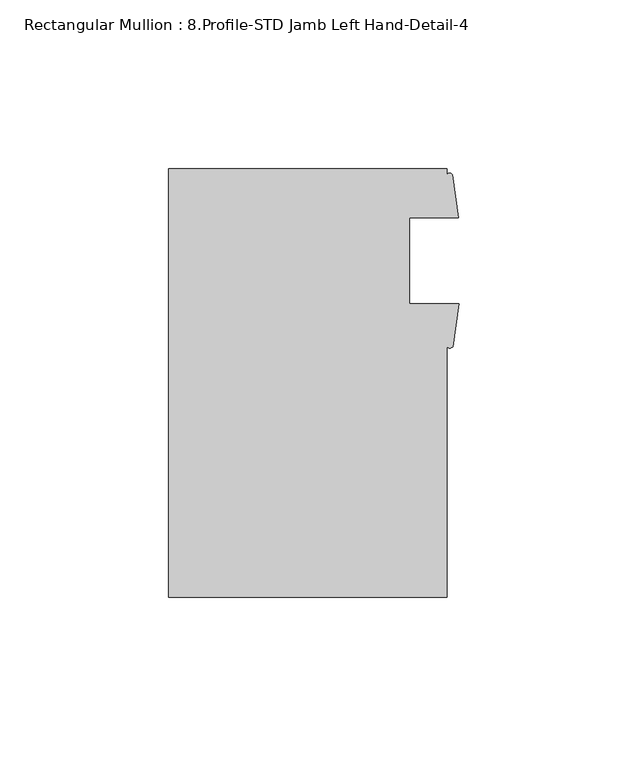
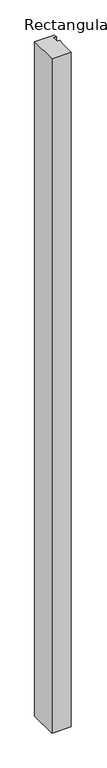
"""IFC4 building model written with IfcOpenShell, lengths in millimetres: member geometry, Rectangular Mullion : 8.Profile-STD Jamb Left Hand-Detail-4."""

import ifcopenshell
import ifcopenshell.guid

model = None  # the IFC model being written
_history = None  # IfcOwnerHistory: only IFC2X3 demands one
_inside = {}  # id of a spatial element -> (the spatial element, [elements in it])
_under = {}  # id of a project, library or spatial element -> (it, [spatial elements below it])
_declared = {}  # id of a project -> (the project, [libraries it declares])
_typed = {}  # id of a type object -> (the type object, [elements of that type])
_made_of = {}  # id of a material, layer set ... -> (it, [elements and type objects made of it])


def new_model(schema):
    """Start an empty IFC model of exactly this schema.

    Asked for "IFC4X3", IfcOpenShell would pick the latest addendum, in which some entities
    have other attributes; the version numbers below select the first issue.
    IFC2X3 requires an IfcOwnerHistory on every rooted entity: one is made here for all.
    """
    global model, _history
    if schema == "IFC4X3":
        model = ifcopenshell.file(schema_version=(4, 3, 0, 0))
    else:
        model = ifcopenshell.file(schema=schema)
    _inside.clear()
    _under.clear()
    _declared.clear()
    _typed.clear()
    _made_of.clear()
    _history = None
    if model.schema == "IFC2X3":
        org = make("IfcOrganization", Name="unknown")
        user = make(
            "IfcPersonAndOrganization",
            ThePerson=make("IfcPerson", FamilyName="unknown"),
            TheOrganization=org,
        )
        app = make(
            "IfcApplication",
            ApplicationDeveloper=org,
            Version="unknown",
            ApplicationFullName="unknown",
            ApplicationIdentifier="unknown",
        )
        _history = make(
            "IfcOwnerHistory",
            OwningUser=user,
            OwningApplication=app,
            ChangeAction="ADDED",
            CreationDate=0,
        )
    return model


def make(cls, **values):
    """One entity of the class cls with the attributes given. An attribute that is None is left unset."""
    return model.create_entity(
        cls, **{name: value for name, value in values.items() if value is not None}
    )


def rooted(cls, **values):
    """An entity with a GlobalId (a new one), such as an element, a storey or a relation."""
    return make(cls, GlobalId=ifcopenshell.guid.new(), OwnerHistory=_history, **values)


def si_unit(unit_type, name, prefix=None):
    """IfcSIUnit, for example si_unit("LENGTHUNIT", "METRE", prefix="MILLI")."""
    return make("IfcSIUnit", UnitType=unit_type, Prefix=prefix, Name=name)


def assignment(units):
    """IfcUnitAssignment: the units of a project."""
    return None if units is None else make("IfcUnitAssignment", Units=units)


def point(xyz):
    """IfcCartesianPoint."""
    return None if xyz is None else make("IfcCartesianPoint", Coordinates=xyz)


def direction(xyz):
    """IfcDirection."""
    return None if xyz is None else make("IfcDirection", DirectionRatios=xyz)


def frame(location, z_axis=None, x_axis=None):
    """IfcAxis2Placement3D, a coordinate frame: its origin and axes. An axis left out is left unset."""
    return make(
        "IfcAxis2Placement3D",
        Location=point(location),
        Axis=direction(z_axis),
        RefDirection=direction(x_axis),
    )


def frame_2d(location, x_axis=None):
    """IfcAxis2Placement2D, a coordinate frame in the plane: its origin and x axis."""
    return make(
        "IfcAxis2Placement2D", Location=point(location), RefDirection=direction(x_axis)
    )


def origin():
    """The frame at (0, 0, 0) with its axes left unset."""
    return frame((0.0, 0.0, 0.0))


def place(relative_to, where):
    """IfcLocalPlacement: puts the frame where relative to a parent placement (None: the world)."""
    return make(
        "IfcLocalPlacement", PlacementRelTo=relative_to, RelativePlacement=where
    )


def context(
    kind, dimensions, precision=None, world=None, true_north=None, identifier=None
):
    """IfcGeometricRepresentationContext, for example the 3D "Model" context."""
    return make(
        "IfcGeometricRepresentationContext",
        ContextIdentifier=identifier,
        ContextType=kind,
        CoordinateSpaceDimension=dimensions,
        Precision=precision,
        WorldCoordinateSystem=world,
        TrueNorth=true_north,
    )


def project(units=None, contexts=None):
    """IfcProject with its units and contexts."""
    return rooted(
        "IfcProject",
        Name="project",
        RepresentationContexts=contexts,
        UnitsInContext=assignment(units),
    )


def spatial(cls, under=None, at=None, **own):
    """A site, building, storey or space (cls), placed at a placement, below another one or the project."""
    s = rooted(cls, ObjectPlacement=at, **own)
    if under is not None:
        _under.setdefault(under.id(), (under, []))[1].append(s)
    return s


def polyline(points):
    """IfcPolyline through the points."""
    return make("IfcPolyline", Points=[point(p) for p in points])


def circle_curve(where, radius):
    """IfcCircle in the frame where."""
    return make("IfcCircle", Position=where, Radius=radius)


def trimmed(basis, trim1, trim2, sense, master):
    """IfcTrimmedCurve: the piece of a basis curve between two trims."""
    return make(
        "IfcTrimmedCurve",
        BasisCurve=basis,
        Trim1=trim1,
        Trim2=trim2,
        SenseAgreement=sense,
        MasterRepresentation=master,
    )


def segment(curve, same_sense, transition):
    """IfcCompositeCurveSegment."""
    return make(
        "IfcCompositeCurveSegment",
        Transition=transition,
        SameSense=same_sense,
        ParentCurve=curve,
    )


def composite_curve(segments, self_intersect=None):
    """IfcCompositeCurve: segments joined end to end."""
    return make("IfcCompositeCurve", Segments=segments, SelfIntersect=self_intersect)


def outline(outer, holes=None, kind="AREA"):
    """IfcArbitraryClosedProfileDef: a profile drawn as a closed curve; with holes, ...WithVoids."""
    if holes is None:
        return make("IfcArbitraryClosedProfileDef", ProfileType=kind, OuterCurve=outer)
    return make(
        "IfcArbitraryProfileDefWithVoids",
        ProfileType=kind,
        OuterCurve=outer,
        InnerCurves=holes,
    )


def extrude(swept, where, along, depth):
    """IfcExtrudedAreaSolid: the profile swept, set in the frame where, extruded along a direction by depth."""
    return make(
        "IfcExtrudedAreaSolid",
        SweptArea=swept,
        Position=where,
        ExtrudedDirection=direction(along),
        Depth=depth,
    )


def shape(context_of_items, identifier, shape_type, items):
    """IfcShapeRepresentation: the items that make up one representation, for example the "Body"."""
    return make(
        "IfcShapeRepresentation",
        ContextOfItems=context_of_items,
        RepresentationIdentifier=identifier,
        RepresentationType=shape_type,
        Items=items,
    )


def source(mapping_origin, context_of_items, identifier, shape_type, items):
    """IfcRepresentationMap: a shape defined once, which mapped items show again and again."""
    return make(
        "IfcRepresentationMap",
        MappingOrigin=mapping_origin,
        MappedRepresentation=shape(context_of_items, identifier, shape_type, items),
    )


def transform(
    local_origin,
    x_axis=None,
    y_axis=None,
    z_axis=None,
    scale=None,
    scale2=None,
    scale3=None,
    uniform=True,
):
    """IfcCartesianTransformationOperator3D, or its non-uniform kind. x_axis, y_axis, z_axis: its Axis1, 2, 3."""
    if uniform:
        return make(
            "IfcCartesianTransformationOperator3D",
            Axis1=direction(x_axis),
            Axis2=direction(y_axis),
            LocalOrigin=point(local_origin),
            Scale=scale,
            Axis3=direction(z_axis),
        )
    return make(
        "IfcCartesianTransformationOperator3DnonUniform",
        Axis1=direction(x_axis),
        Axis2=direction(y_axis),
        LocalOrigin=point(local_origin),
        Scale=scale,
        Axis3=direction(z_axis),
        Scale2=scale2,
        Scale3=scale3,
    )


def mapped(mapping_source, mapping_target):
    """IfcMappedItem: shows the shape of a source again, moved by a transform."""
    return make(
        "IfcMappedItem", MappingSource=mapping_source, MappingTarget=mapping_target
    )


def made_of(thing, what):
    """Note that an element or type object is made of a material, layer set ...; save() writes the relation."""
    if what is not None:
        _made_of.setdefault(what.id(), (what, []))[1].append(thing)
    return thing


def element(
    cls,
    number,
    at=None,
    inside=None,
    cuts=None,
    type_object=None,
    material=None,
    context=None,
    identifier="Body",
    shape_type=None,
    held_by="IfcProductDefinitionShape",
    body=None,
    shapes=None,
    **own,
):
    """One element of the class cls, such as IfcWall. Its Tag is "e" and its number.

    at: its placement. inside: the storey or other place that contains it. cuts: it is an
    opening in that element (IfcRelVoidsElement). A single representation is given by context,
    identifier, shape_type and body (its items); several are given by shapes. held_by: the class
    of the entity that holds the representations. save() writes the other relations.
    """
    e = rooted(cls, Tag="e%d" % number, ObjectPlacement=at, **own)
    if body is not None:
        shapes = [shape(context, identifier, shape_type, body)]
    if shapes is not None:
        e.Representation = make(held_by, Representations=shapes)
    if inside is not None:
        _inside.setdefault(inside.id(), (inside, []))[1].append(e)
    if cuts is not None:
        rooted(
            "IfcRelVoidsElement", RelatingBuildingElement=cuts, RelatedOpeningElement=e
        )
    if type_object is not None:
        _typed.setdefault(type_object.id(), (type_object, []))[1].append(e)
    return made_of(e, material)


def aggregate(whole, parts):
    """IfcRelAggregates: a whole, such as a stair, and the parts it consists of."""
    return rooted("IfcRelAggregates", RelatingObject=whole, RelatedObjects=parts)


def save(model, path):
    """Write the relations noted so far, then the file.

    IfcRelAggregates (storeys below a building ...), IfcRelContainedInSpatialStructure (elements
    in a storey), IfcRelDefinesByType, IfcRelAssociatesMaterial and IfcRelDeclares: one each for
    every whole, place, type object, material and project.
    """
    for whole, parts in _under.values():
        aggregate(whole, parts)
    for where, things in _inside.values():
        rooted(
            "IfcRelContainedInSpatialStructure",
            RelatedElements=things,
            RelatingStructure=where,
        )
    for kind, things in _typed.values():
        rooted("IfcRelDefinesByType", RelatedObjects=things, RelatingType=kind)
    for what, things in _made_of.values():
        rooted("IfcRelAssociatesMaterial", RelatedObjects=things, RelatingMaterial=what)
    for by, libraries in _declared.values():
        rooted("IfcRelDeclares", RelatingContext=by, RelatedDefinitions=libraries)
    model.write(path)


def rectangular_mullion_8_profile_std_jamb_left_hand_detail_4_a750bb25(model_context):
    return source(origin(), model_context, "Body", "SweptSolid", [
        extrude(outline(composite_curve([segment(polyline([(-86.0660632, -127.0059304), (-86.0660632, 0.0), (-3.5160632, 0.0), (-3.5160632, -1.7322375)]), True, "CONTINUOUS"), segment(trimmed(circle_curve(frame_2d((-2.723115, -2.2380298)), 0.9405278), [point((-3.5160632, -1.7322375))], [point((-1.9301669, -1.7322375))], False, "CARTESIAN"), True, "CONTINUOUS"), segment(polyline([(-1.9301669, -1.7322375), (-0.1200632, -14.503525), (-14.6285632, -14.503525), (-14.6285632, -39.9273255), (0.0, -39.9273255), (-1.8526588, -52.6765778)]), True, "CONTINUOUS"), segment(trimmed(circle_curve(frame_2d((-2.684361, -52.1284407)), 0.9960837), [point((-1.8526588, -52.6765778))], [point((-3.5160632, -52.6765778))], False, "CARTESIAN"), True, "CONTINUOUS"), segment(polyline([(-3.5160632, -52.6765778), (-3.5160632, -127.0059304), (-86.0660632, -127.0059304)]), True, "CONTINUOUS")], self_intersect=False)), frame((0.0, 0.0, -3048.0), z_axis=(0.0, 0.0, 1.0), x_axis=(1.0, 0.0, 0.0)), (0.0, 0.0, 1.0), 3048.0),
    ])


if __name__ == "__main__":
    model = new_model("IFC4")
    model_context = context("Model", 3, world=origin())
    ifc_project = project(units=[si_unit("LENGTHUNIT", "METRE", prefix="MILLI")], contexts=[model_context])
    site = spatial("IfcSite", under=ifc_project)
    building = spatial("IfcBuilding", under=site)
    placement = place(None, origin())
    rectangular_mullion_8_profile_std_jamb_left_hand_detail_4_shape = rectangular_mullion_8_profile_std_jamb_left_hand_detail_4_a750bb25(model_context)
    element("IfcMember", 1, ObjectType="Rectangular Mullion : 8.Profile-STD Jamb Left Hand-Detail-4", at=placement, inside=building, context=model_context, shape_type="MappedRepresentation", body=[
        mapped(rectangular_mullion_8_profile_std_jamb_left_hand_detail_4_shape, transform((0.0, 0.0, 0.0), x_axis=(1.0, 0.0, 0.0), y_axis=(0.0, 1.0, 0.0), z_axis=(0.0, 0.0, 1.0))),
    ])
    save(model, "model.ifc")
